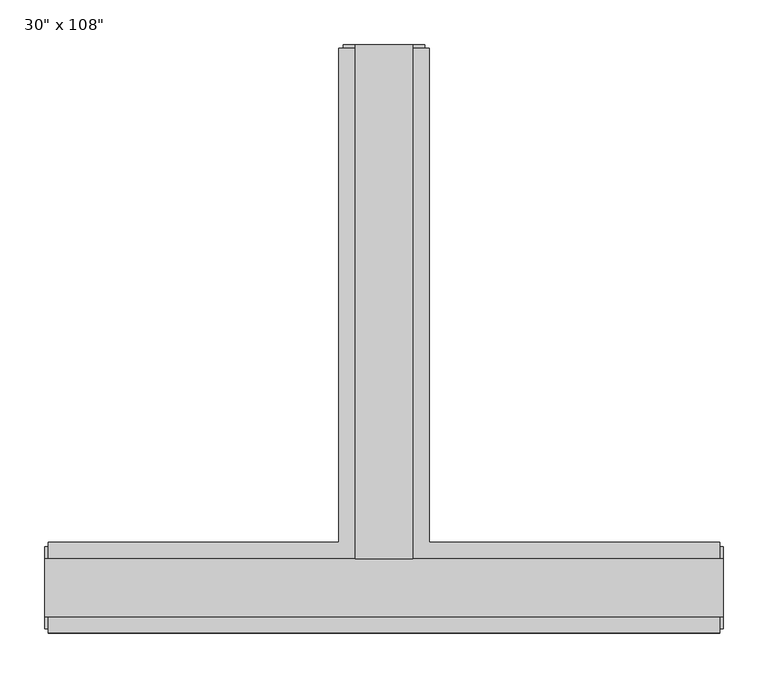
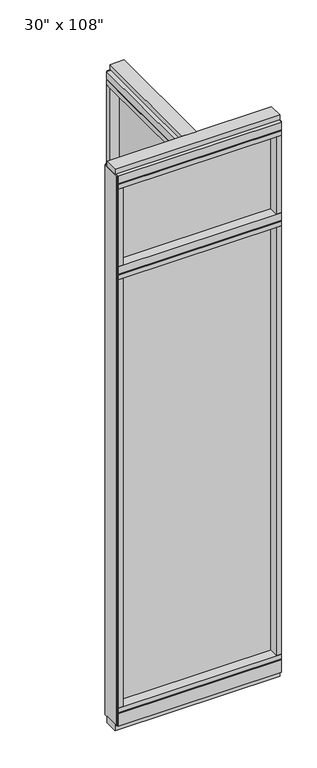
"""IFC4 building model written with IfcOpenShell, lengths in millimetres: furniture geometry."""

from ifc_helpers import new_model, si_unit, frame, origin, origin_with_axes, place, context, project, spatial, polyline, outline, extrude, faceted_brep, source, transform, mapped, element, save


def furniture_c124145d(model_context):
    return source(origin(), model_context, "Body", "SolidModel", [
        extrude(outline(polyline([(-65.1165229, 0.5622784), (-65.1165229, 578.9202784), (-54.9565229, 578.9202784), (-54.9565229, 0.5622784), (-65.1165229, 0.5622784)])), frame((0.0, 0.0, 2276.475), z_axis=(0.0, 0.0, 1.0), x_axis=(1.0, 0.0, 0.0)), (0.0, 0.0, 1.0), 355.6),
        extrude(outline(polyline([(294.8014771, -9.5977216), (-414.8745229, -9.5977216), (-414.8745229, 0.5622784), (294.8014771, 0.5622784), (294.8014771, -9.5977216)])), frame((0.0, 0.0, 2276.475), z_axis=(0.0, 0.0, 1.0), x_axis=(1.0, 0.0, 0.0)), (0.0, 0.0, 1.0), 355.6),
        extrude(outline(polyline([(-65.1165229, 0.5622784), (-65.1165229, 578.9202784), (-54.9565229, 578.9202784), (-54.9565229, 0.5622784), (-65.1165229, 0.5622784)])), frame((0.0, 0.0, 120.65), z_axis=(0.0, 0.0, 1.0), x_axis=(1.0, 0.0, 0.0)), (0.0, 0.0, 1.0), 2114.677),
        extrude(outline(polyline([(294.8014771, -9.5977216), (-414.8745229, -9.5977216), (-414.8745229, 0.5622784), (294.8014771, 0.5622784), (294.8014771, -9.5977216)])), frame((0.0, 0.0, 120.523), z_axis=(0.0, 0.0, 1.0), x_axis=(1.0, 0.0, 0.0)), (0.0, 0.0, 1.0), 2114.677),
        extrude(outline(polyline([(-110.8365229, 601.1452784), (-9.2365229, 601.1452784), (-9.2365229, 46.2822784), (317.0264771, 46.2822784), (317.0264771, -55.3177216), (-437.0995229, -55.3177216), (-437.0995229, 46.2822784), (-110.8365229, 46.2822784), (-110.8365229, 601.1452784)])), frame((0.0, 0.0, 2654.3), z_axis=(0.0, 0.0, 1.0), x_axis=(1.0, 0.0, 0.0)), (0.0, 0.0, 1.0), 22.225),
        faceted_brep([(-105.8835229, 46.2822784, 2681.478), (-105.8835229, 46.2822784, 2676.525), (-14.1895229, 46.2822784, 2676.525), (-14.1895229, 46.2822784, 2681.478), (-9.2365229, 601.1452784, 2681.478), (-14.1895229, 601.1452784, 2681.478), (-14.1895229, 601.1452784, 2676.525), (-105.8835229, 601.1452784, 2676.525), (-105.8835229, 601.1452784, 2681.478), (-110.8365229, 601.1452784, 2681.478), (-110.8365229, 601.1452784, 2717.8), (-9.2365229, 601.1452784, 2717.8), (-9.2365229, 46.2822784, 2681.478), (317.0264771, 46.2822784, 2681.478), (317.0264771, 41.3292784, 2681.478), (-437.0995229, 41.3292784, 2681.478), (-437.0995229, 46.2822784, 2681.478), (-110.8365229, 46.2822784, 2681.478), (-110.8365229, 46.2822784, 2717.8), (-437.0995229, 46.2822784, 2717.8), (-437.0995229, -55.3177216, 2717.8), (317.0264771, -55.3177216, 2717.8), (317.0264771, 46.2822784, 2717.8), (-9.2365229, 46.2822784, 2717.8), (-437.0995229, -55.3177216, 2681.478), (-437.0995229, 41.3292784, 2676.525), (-437.0995229, -50.3647216, 2676.525), (-437.0995229, -50.3647216, 2681.478), (317.0264771, -55.3177216, 2681.478), (317.0264771, -50.3647216, 2681.478), (317.0264771, -50.3647216, 2676.525), (317.0264771, 41.3292784, 2676.525)], [[[0, 1, 2, 3]], [[4, 5, 6, 7, 8, 9, 10, 11]], [[5, 4, 12, 13, 14, 15, 16, 17, 9, 8, 0, 3]], [[3, 2, 6, 5]], [[2, 1, 7, 6]], [[1, 0, 8, 7]], [[10, 9, 17, 18]], [[11, 10, 18, 19, 20, 21, 22, 23]], [[4, 11, 23, 12]], [[24, 20, 19, 16, 15, 25, 26, 27]], [[28, 29, 30, 31, 14, 13, 22, 21]], [[24, 27, 29, 28]], [[16, 19, 18, 17]], [[22, 13, 12, 23]], [[20, 24, 28, 21]], [[25, 15, 14, 31]], [[26, 25, 31, 30]], [[27, 26, 30, 29]]]),
        extrude(outline(polyline([(-110.8365229, 601.1452784), (-9.2365229, 601.1452784), (-9.2365229, 46.2822784), (317.0264771, 46.2822784), (317.0264771, -55.3177216), (-437.0995229, -55.3177216), (-437.0995229, 46.2822784), (-110.8365229, 46.2822784), (-110.8365229, 601.1452784)])), frame((0.0, 0.0, 2212.975), z_axis=(0.0, 0.0, 1.0), x_axis=(1.0, 0.0, 0.0)), (0.0, 0.0, 1.0), 22.225),
        faceted_brep([(-105.8835229, 46.2822784, 2240.153), (-105.8835229, 46.2822784, 2235.2), (-14.1895229, 46.2822784, 2235.2), (-14.1895229, 46.2822784, 2240.153), (-9.2365229, 601.1452784, 2240.153), (-14.1895229, 601.1452784, 2240.153), (-14.1895229, 601.1452784, 2235.2), (-105.8835229, 601.1452784, 2235.2), (-105.8835229, 601.1452784, 2240.153), (-110.8365229, 601.1452784, 2240.153), (-110.8365229, 601.1452784, 2276.475), (-9.2365229, 601.1452784, 2276.475), (-9.2365229, 46.2822784, 2240.153), (317.0264771, 46.2822784, 2240.153), (317.0264771, 41.3292784, 2240.153), (-437.0995229, 41.3292784, 2240.153), (-437.0995229, 46.2822784, 2240.153), (-110.8365229, 46.2822784, 2240.153), (-110.8365229, 46.2822784, 2276.475), (-437.0995229, 46.2822784, 2276.475), (-437.0995229, -55.3177216, 2276.475), (317.0264771, -55.3177216, 2276.475), (317.0264771, 46.2822784, 2276.475), (-9.2365229, 46.2822784, 2276.475), (-437.0995229, -55.3177216, 2240.153), (-437.0995229, 41.3292784, 2235.2), (-437.0995229, -50.3647216, 2235.2), (-437.0995229, -50.3647216, 2240.153), (317.0264771, -55.3177216, 2240.153), (317.0264771, -50.3647216, 2240.153), (317.0264771, -50.3647216, 2235.2), (317.0264771, 41.3292784, 2235.2)], [[[0, 1, 2, 3]], [[4, 5, 6, 7, 8, 9, 10, 11]], [[5, 4, 12, 13, 14, 15, 16, 17, 9, 8, 0, 3]], [[3, 2, 6, 5]], [[2, 1, 7, 6]], [[1, 0, 8, 7]], [[10, 9, 17, 18]], [[11, 10, 18, 19, 20, 21, 22, 23]], [[4, 11, 23, 12]], [[24, 20, 19, 16, 15, 25, 26, 27]], [[28, 29, 30, 31, 14, 13, 22, 21]], [[24, 27, 29, 28]], [[27, 26, 30, 29]], [[26, 25, 31, 30]], [[25, 15, 14, 31]], [[16, 19, 18, 17]], [[22, 13, 12, 23]], [[20, 24, 28, 21]]]),
        faceted_brep([(-14.1895229, 46.2822784, 93.345), (-14.1895229, 46.2822784, 98.298), (-105.8835229, 46.2822784, 98.298), (-105.8835229, 46.2822784, 93.345), (-9.2365229, 601.1452784, 93.345), (-9.2365229, 601.1452784, 31.75), (-110.8365229, 601.1452784, 31.75), (-110.8365229, 601.1452784, 93.345), (-105.8835229, 601.1452784, 93.345), (-105.8835229, 601.1452784, 98.298), (-14.1895229, 601.1452784, 98.298), (-14.1895229, 601.1452784, 93.345), (-110.8365229, 46.2822784, 93.345), (-437.0995229, 46.2822784, 93.345), (-437.0995229, 41.3292784, 93.345), (317.0264771, 41.3292784, 93.345), (317.0264771, 46.2822784, 93.345), (-9.2365229, 46.2822784, 93.345), (-110.8365229, 46.2822784, 31.75), (-9.2365229, 46.2822784, 31.75), (317.0264771, 46.2822784, 31.75), (317.0264771, -55.3177216, 31.75), (-437.0995229, -55.3177216, 31.75), (-437.0995229, 46.2822784, 31.75), (317.0264771, -55.3177216, 93.345), (317.0264771, 41.3292784, 98.298), (317.0264771, -50.3647216, 98.298), (317.0264771, -50.3647216, 93.345), (-437.0995229, -55.3177216, 93.345), (-437.0995229, -50.3647216, 93.345), (-437.0995229, -50.3647216, 98.298), (-437.0995229, 41.3292784, 98.298)], [[[0, 1, 2, 3]], [[4, 5, 6, 7, 8, 9, 10, 11]], [[4, 11, 0, 3, 8, 7, 12, 13, 14, 15, 16, 17]], [[1, 0, 11, 10]], [[2, 1, 10, 9]], [[3, 2, 9, 8]], [[7, 6, 18, 12]], [[6, 5, 19, 20, 21, 22, 23, 18]], [[5, 4, 17, 19]], [[24, 21, 20, 16, 15, 25, 26, 27]], [[28, 29, 30, 31, 14, 13, 23, 22]], [[24, 27, 29, 28]], [[16, 20, 19, 17]], [[23, 13, 12, 18]], [[21, 24, 28, 22]], [[25, 15, 14, 31]], [[26, 25, 31, 30]], [[27, 26, 30, 29]]]),
        extrude(outline(polyline([(-110.8365229, 601.1452784), (-9.2365229, 601.1452784), (-9.2365229, 46.2822784), (317.0264771, 46.2822784), (317.0264771, -55.3177216), (-437.0995229, -55.3177216), (-437.0995229, 46.2822784), (-110.8365229, 46.2822784), (-110.8365229, 601.1452784)])), frame((0.0, 0.0, 98.298), z_axis=(0.0, 0.0, 1.0), x_axis=(1.0, 0.0, 0.0)), (0.0, 0.0, 1.0), 22.225),
        extrude(outline(polyline([(-9.2365229, 601.1452784), (-9.2365229, 578.9202784), (-110.8365229, 578.9202784), (-110.8365229, 601.1452784), (-9.2365229, 601.1452784)])), frame((0.0, 0.0, 2276.475), z_axis=(0.0, 0.0, 1.0), x_axis=(1.0, 0.0, 0.0)), (0.0, 0.0, 1.0), 377.825),
        extrude(outline(polyline([(294.8014771, -55.3177216), (294.8014771, 46.2822784), (317.0264771, 46.2822784), (317.0264771, -55.3177216), (294.8014771, -55.3177216)])), frame((0.0, 0.0, 2276.475), z_axis=(0.0, 0.0, 1.0), x_axis=(1.0, 0.0, 0.0)), (0.0, 0.0, 1.0), 377.825),
        extrude(outline(polyline([(-414.8745229, -55.3177216), (-437.0995229, -55.3177216), (-437.0995229, 46.2822784), (-414.8745229, 46.2822784), (-414.8745229, -55.3177216)])), frame((0.0, 0.0, 2276.475), z_axis=(0.0, 0.0, 1.0), x_axis=(1.0, 0.0, 0.0)), (0.0, 0.0, 1.0), 377.825),
        extrude(outline(polyline([(-27.5245229, 27.9942784), (-92.5485229, 27.9942784), (-92.5485229, 605.0822784), (-27.5245229, 605.0822784), (-27.5245229, 27.9942784)])), origin_with_axes(), (0.0, 0.0, 1.0), 31.75),
        extrude(outline(polyline([(-9.2365229, 601.1452784), (-9.2365229, 578.9202784), (-110.8365229, 578.9202784), (-110.8365229, 601.1452784), (-9.2365229, 601.1452784)])), frame((0.0, 0.0, 120.523), z_axis=(0.0, 0.0, 1.0), x_axis=(1.0, 0.0, 0.0)), (0.0, 0.0, 1.0), 2092.452),
        extrude(outline(polyline([(-14.1895229, 605.0822784), (-14.1895229, 601.1452784), (-105.8835229, 601.1452784), (-105.8835229, 605.0822784), (-14.1895229, 605.0822784)])), frame((0.0, 0.0, 31.75), z_axis=(0.0, 0.0, 1.0), x_axis=(1.0, 0.0, 0.0)), (0.0, 0.0, 1.0), 2686.05),
        extrude(outline(polyline([(-27.5245229, 27.9942784), (-92.5485229, 27.9942784), (-92.5485229, 605.0822784), (-27.5245229, 605.0822784), (-27.5245229, 27.9942784)])), frame((0.0, 0.0, 2717.8), z_axis=(0.0, 0.0, 1.0), x_axis=(1.0, 0.0, 0.0)), (0.0, 0.0, 1.0), 25.4),
        extrude(outline(polyline([(320.9634771, 27.9942784), (320.9634771, -37.0297216), (-441.0365229, -37.0297216), (-441.0365229, 27.9942784), (320.9634771, 27.9942784)])), origin_with_axes(), (0.0, 0.0, 1.0), 31.75),
        extrude(outline(polyline([(-441.0365229, -37.0297216), (-441.0365229, 27.9942784), (320.9634771, 27.9942784), (320.9634771, -37.0297216), (-441.0365229, -37.0297216)])), frame((0.0, 0.0, 2717.8), z_axis=(0.0, 0.0, 1.0), x_axis=(1.0, 0.0, 0.0)), (0.0, 0.0, 1.0), 25.4),
        extrude(outline(polyline([(294.8014771, -55.3177216), (294.8014771, 46.2822784), (317.0264771, 46.2822784), (317.0264771, -55.3177216), (294.8014771, -55.3177216)])), frame((0.0, 0.0, 120.523), z_axis=(0.0, 0.0, 1.0), x_axis=(1.0, 0.0, 0.0)), (0.0, 0.0, 1.0), 2092.452),
        extrude(outline(polyline([(-414.8745229, -55.3177216), (-437.0995229, -55.3177216), (-437.0995229, 46.2822784), (-414.8745229, 46.2822784), (-414.8745229, -55.3177216)])), frame((0.0, 0.0, 120.523), z_axis=(0.0, 0.0, 1.0), x_axis=(1.0, 0.0, 0.0)), (0.0, 0.0, 1.0), 2092.452),
        extrude(outline(polyline([(320.9634771, -50.3647216), (317.0264771, -50.3647216), (317.0264771, 41.3292784), (320.9634771, 41.3292784), (320.9634771, -50.3647216)])), frame((0.0, 0.0, 31.75), z_axis=(0.0, 0.0, 1.0), x_axis=(1.0, 0.0, 0.0)), (0.0, 0.0, 1.0), 2686.05),
        extrude(outline(polyline([(-441.0365229, -50.3647216), (-441.0365229, 41.3292784), (-437.0995229, 41.3292784), (-437.0995229, -50.3647216), (-441.0365229, -50.3647216)])), frame((0.0, 0.0, 31.75), z_axis=(0.0, 0.0, 1.0), x_axis=(1.0, 0.0, 0.0)), (0.0, 0.0, 1.0), 2686.05),
    ])


if __name__ == "__main__":
    model = new_model("IFC4")
    model_context = context("Model", 3, world=origin())
    ifc_project = project(units=[si_unit("LENGTHUNIT", "METRE", prefix="MILLI")], contexts=[model_context])
    site = spatial("IfcSite", under=ifc_project)
    building = spatial("IfcBuilding", under=site)
    placement = place(None, origin())
    furniture_shape = furniture_c124145d(model_context)
    element("IfcFurniture", 1, ObjectType="30\" x 108\"", at=placement, inside=building, context=model_context, shape_type="MappedRepresentation", body=[
        mapped(furniture_shape, transform((0.0, 0.0, 0.0), x_axis=(1.0, 0.0, 0.0), y_axis=(0.0, 1.0, 0.0), z_axis=(0.0, 0.0, 1.0))),
    ])
    save(model, "model.ifc")
